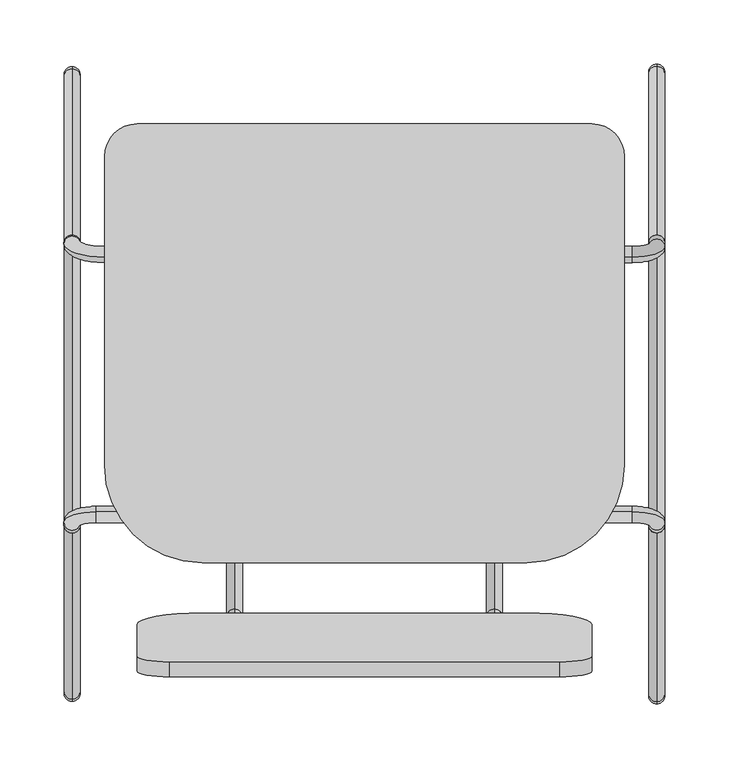
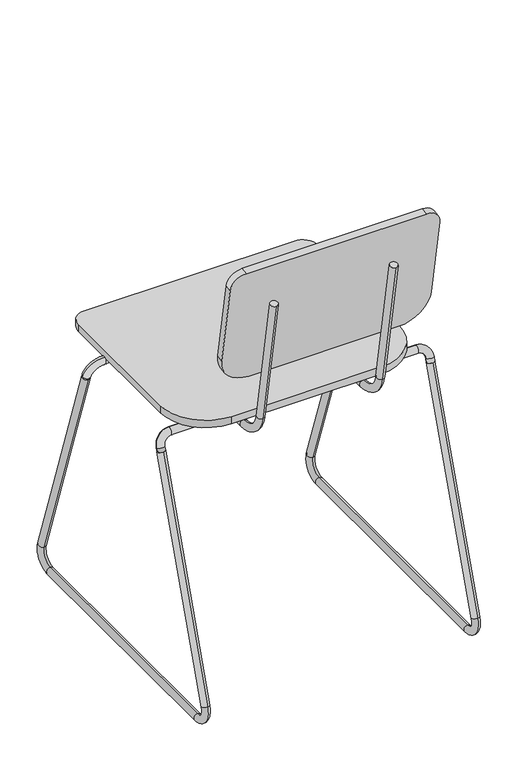
"""IFC4 building model written with IfcOpenShell, lengths in millimetres: furniture geometry."""

from ifc_helpers import new_model, si_unit, point, frame, frame_2d, origin, place, context, project, spatial, polyline, circle_curve, ellipse_curve, trimmed, segment, composite_curve, outline, extrude, source, transform, mapped, element, save
from ifc_brep_helpers import plane_surface, cylinder_surface, revolved_surface, advanced_brep


def furniture_1dff25d2(model_context):
    return source(origin(), model_context, "Body", "SolidModel", [
        advanced_brep(
        [(-280.6491803, 213.2656675, 431.8), (-280.6491803, 213.2656675, 444.5), (-280.6491803, -23.0277124, 431.8), (-280.6491803, -23.0277124, 444.5), (-280.6491803, -66.802417, 481.2313385), (-280.6491803, -79.3094755, 479.0260066), (-280.6491803, -119.2282049, 705.4163709), (-280.6491803, -106.7211464, 707.6217027)],
        [
            (0, 1, circle_curve(frame((-280.6491803, 213.2656675, 438.15), z_axis=(0.0, 1.0, 0.0), x_axis=(0.0, 0.0, 1.0)), 6.35)),
            (1, 0, circle_curve(frame((-280.6491803, 213.2656675, 438.15), z_axis=(0.0, 1.0, 0.0), x_axis=(0.0, 0.0, 1.0)), 6.35)),
            (0, 2),
            (2, 3, circle_curve(frame((-280.6491803, -23.0277124, 438.15), z_axis=(0.0, 1.0, 0.0), x_axis=(0.0, 0.0, 1.0)), 6.35)),
            (3, 1),
            (3, 2, circle_curve(frame((-280.6491803, -23.0277124, 438.15), z_axis=(0.0, 1.0, 0.0), x_axis=(0.0, 0.0, 1.0)), 6.35)),
            (4, 3, circle_curve(frame((-280.6491803, -23.0277124, 488.95), z_axis=(1.0, 0.0, 0.0), x_axis=(0.0, 0.0, -1.0)), 44.45)),
            (2, 5, circle_curve(frame((-280.6491803, -23.0277124, 488.95), z_axis=(-1.0, 0.0, 0.0), x_axis=(0.0, 0.0, -1.0)), 57.15)),
            (5, 4, circle_curve(frame((-280.6491803, -73.0559463, 480.1286726), z_axis=(0.0, 0.17364817766693444, -0.9848077530122074), x_axis=(0.0, 0.9848077530122074, 0.17364817766693444)), 6.35)),
            (4, 5, circle_curve(frame((-280.6491803, -73.0559463, 480.1286726), z_axis=(0.0, 0.17364817766693444, -0.9848077530122074), x_axis=(0.0, 0.9848077530122074, 0.17364817766693444)), 6.35)),
            (6, 7, circle_curve(frame((-280.6491803, -112.9746757, 706.5190368), z_axis=(0.0, -0.1736481776669348, 0.9848077530122074), x_axis=(0.0, 0.9848077530122074, 0.1736481776669348)), 6.35)),
            (7, 6, circle_curve(frame((-280.6491803, -112.9746757, 706.5190368), z_axis=(0.0, -0.1736481776669348, 0.9848077530122074), x_axis=(0.0, 0.9848077530122074, 0.1736481776669348)), 6.35)),
            (5, 6),
            (7, 4),
        ],
        [
            plane_surface(frame((-286.9991803, 213.2656675, 438.15), z_axis=(0.0, 1.0, 0.0), x_axis=(0.0, 0.0, -1.0))),
            cylinder_surface(frame((-280.6491803, 213.2656675, 438.15), z_axis=(0.0, 1.0, 0.0), x_axis=(0.0, 0.0, 1.0)), 6.35),
            revolved_surface(trimmed(ellipse_curve(frame((-280.6491803, -23.0277124, 438.15), z_axis=(0.0, 1.0, 0.0), x_axis=(0.0, 0.0, 1.0)), 6.35, 6.35), [point((-280.6491803, -23.0277124, 431.8))], [point((-280.6491803, -23.0277124, 444.5))], True, "CARTESIAN"), (-280.6491803, -23.0277124, 488.95), (-1.0, 0.0, 0.0)),
            revolved_surface(trimmed(ellipse_curve(frame((-280.6491803, -23.0277124, 438.15), z_axis=(0.0, 1.0, 0.0), x_axis=(0.0, 0.0, 1.0)), 6.35, 6.35), [point((-280.6491803, -23.0277124, 444.5))], [point((-280.6491803, -23.0277124, 431.8))], True, "CARTESIAN"), (-280.6491803, -23.0277124, 488.95), (-1.0, 0.0, 0.0)),
            plane_surface(frame((-280.6491803, -119.2282049, 705.4163709), z_axis=(0.0, -0.17364817766692842, 0.9848077530122085), x_axis=(1.0, 0.0, 0.0))),
            cylinder_surface(frame((-280.6491803, -73.0559463, 480.1286726), z_axis=(0.0, 0.1736481776669348, -0.9848077530122074), x_axis=(0.0, 0.9848077530122074, 0.1736481776669348)), 6.35),
        ],
        [
            (0, [[1, 2]]),
            (1, [[-1, 3, 4, 5]]),
            (1, [[-2, -5, 6, -3]]),
            (2, [[7, -4, 8, 9]]),
            (3, [[-8, -6, -7, 10]]),
            (4, [[11, 12]]),
            (5, [[-9, 13, -12, 14]]),
            (5, [[-10, -14, -11, -13]]),
        ],
    ),
        advanced_brep(
        [(-77.4491803, 213.2656675, 431.8), (-77.4491803, 213.2656675, 444.5), (-77.4491803, -23.0277124, 431.8), (-77.4491803, -23.0277124, 444.5), (-77.4491803, -66.802417, 481.2313385), (-77.4491803, -79.3094755, 479.0260066), (-77.4491803, -118.9339087, 703.7473341), (-77.4491803, -106.4268502, 705.9526659)],
        [
            (0, 1, circle_curve(frame((-77.4491803, 213.2656675, 438.15), z_axis=(0.0, 1.0, 0.0), x_axis=(0.0, 0.0, 1.0)), 6.35)),
            (1, 0, circle_curve(frame((-77.4491803, 213.2656675, 438.15), z_axis=(0.0, 1.0, 0.0), x_axis=(0.0, 0.0, 1.0)), 6.35)),
            (0, 2),
            (2, 3, circle_curve(frame((-77.4491803, -23.0277124, 438.15), z_axis=(0.0, 1.0, 0.0), x_axis=(0.0, 0.0, 1.0)), 6.35)),
            (3, 1),
            (3, 2, circle_curve(frame((-77.4491803, -23.0277124, 438.15), z_axis=(0.0, 1.0, 0.0), x_axis=(0.0, 0.0, 1.0)), 6.35)),
            (4, 3, circle_curve(frame((-77.4491803, -23.0277124, 488.95), z_axis=(1.0, 0.0, 0.0), x_axis=(0.0, 0.0, -1.0)), 44.45)),
            (2, 5, circle_curve(frame((-77.4491803, -23.0277124, 488.95), z_axis=(-1.0, 0.0, 0.0), x_axis=(0.0, 0.0, -1.0)), 57.15)),
            (5, 4, circle_curve(frame((-77.4491803, -73.0559463, 480.1286726), z_axis=(0.0, 0.1736481776669385, -0.9848077530122066), x_axis=(0.0, 0.9848077530122066, 0.1736481776669385)), 6.35)),
            (4, 5, circle_curve(frame((-77.4491803, -73.0559463, 480.1286726), z_axis=(0.0, 0.1736481776669372, -0.9848077530122068), x_axis=(0.0, 0.9848077530122068, 0.1736481776669372)), 6.35)),
            (6, 7, circle_curve(frame((-77.4491803, -112.6803794, 704.85), z_axis=(0.0, -0.17364817766693896, 0.9848077530122066), x_axis=(0.0, 0.9848077530122066, 0.17364817766693896)), 6.35)),
            (7, 6, circle_curve(frame((-77.4491803, -112.6803794, 704.85), z_axis=(0.0, -0.17364817766693896, 0.9848077530122066), x_axis=(0.0, 0.9848077530122066, 0.17364817766693896)), 6.35)),
            (5, 6),
            (7, 4),
        ],
        [
            plane_surface(frame((-83.7991803, 213.2656675, 438.15), z_axis=(0.0, 1.0, 0.0), x_axis=(0.0, 0.0, -1.0))),
            cylinder_surface(frame((-77.4491803, 213.2656675, 438.15), z_axis=(0.0, 1.0, 0.0), x_axis=(0.0, 0.0, 1.0)), 6.35),
            revolved_surface(trimmed(ellipse_curve(frame((-77.4491803, -23.0277124, 438.15), z_axis=(0.0, 1.0, 0.0), x_axis=(0.0, 0.0, 1.0)), 6.35, 6.35), [point((-77.4491803, -23.0277124, 431.8))], [point((-77.4491803, -23.0277124, 444.5))], True, "CARTESIAN"), (-77.4491803, -23.0277124, 488.95), (-1.0, 0.0, 0.0)),
            revolved_surface(trimmed(ellipse_curve(frame((-77.4491803, -23.0277124, 438.15), z_axis=(0.0, 1.0, 0.0), x_axis=(0.0, 0.0, 1.0)), 6.35, 6.35), [point((-77.4491803, -23.0277124, 444.5))], [point((-77.4491803, -23.0277124, 431.8))], True, "CARTESIAN"), (-77.4491803, -23.0277124, 488.95), (-1.0, 0.0, 0.0)),
            plane_surface(frame((-77.4491803, -118.9339087, 703.7473341), z_axis=(0.0, -0.17364817766692892, 0.9848077530122084), x_axis=(1.0, 0.0, 0.0))),
            cylinder_surface(frame((-77.4491803, -73.0559463, 480.1286726), z_axis=(0.0, 0.17364817766693896, -0.9848077530122066), x_axis=(0.0, 0.9848077530122066, 0.17364817766693896)), 6.35),
        ],
        [
            (0, [[1, 2]]),
            (1, [[-1, 3, 4, 5]]),
            (1, [[-2, -5, 6, -3]]),
            (2, [[7, -4, 8, 9]]),
            (3, [[-8, -6, -7, 10]]),
            (4, [[11, 12]]),
            (5, [[-9, 13, -12, 14]]),
            (5, [[-10, -14, -11, -13]]),
        ],
    ),
        extrude(outline(composite_curve([segment(trimmed(circle_curve(frame_2d((-1.2491803, 286.7314636)), 25.4), [point((-1.2491803, 312.1314636))], [point((24.1508197, 286.7314636))], False, "CARTESIAN"), True, "CONTINUOUS"), segment(polyline([(24.1508197, 286.7314636), (24.1508197, 45.4314636)]), True, "CONTINUOUS"), segment(trimmed(circle_curve(frame_2d((-52.0491803, 45.4314636)), 76.2), [point((24.1508197, 45.4314636))], [point((-52.0491803, -30.7685364))], False, "CARTESIAN"), True, "CONTINUOUS"), segment(polyline([(-52.0491803, -30.7685364), (-306.0491803, -30.7685364)]), True, "CONTINUOUS"), segment(trimmed(circle_curve(frame_2d((-306.0491803, 45.4314636)), 76.2), [point((-306.0491803, -30.7685364))], [point((-382.2491803, 45.4314636))], False, "CARTESIAN"), True, "CONTINUOUS"), segment(polyline([(-382.2491803, 45.4314636), (-382.2491803, 286.7314636)]), True, "CONTINUOUS"), segment(trimmed(circle_curve(frame_2d((-356.8491803, 286.7314636)), 25.4), [point((-382.2491803, 286.7314636))], [point((-356.8491803, 312.1314636))], False, "CARTESIAN"), True, "CONTINUOUS"), segment(polyline([(-356.8491803, 312.1314636), (-1.2491803, 312.1314636)]), True, "CONTINUOUS")], self_intersect=False)), frame((0.0, 0.0, 450.5), z_axis=(0.0, 0.0, 1.0), x_axis=(1.0, 0.0, 0.0)), (0.0, 0.0, 1.0), 12.7),
        extrude(outline(composite_curve([segment(polyline([(-304.8, 0.0), (0.0, 0.0)]), True, "CONTINUOUS"), segment(trimmed(circle_curve(frame_2d((0.0, -25.4)), 25.4), [point((0.0, 0.0))], [point((25.4, -25.4))], False, "CARTESIAN"), True, "CONTINUOUS"), segment(polyline([(25.4, -25.4), (25.4, -168.3013626)]), True, "CONTINUOUS"), segment(trimmed(circle_curve(frame_2d((-25.4, -168.3013626)), 50.8), [point((25.4, -168.3013626))], [point((-25.4, -219.1013626))], False, "CARTESIAN"), True, "CONTINUOUS"), segment(polyline([(-25.4, -219.1013626), (-279.4, -219.1013626)]), True, "CONTINUOUS"), segment(trimmed(circle_curve(frame_2d((-279.4, -168.3013626)), 50.8), [point((-279.4, -219.1013626))], [point((-330.2, -168.3013626))], False, "CARTESIAN"), True, "CONTINUOUS"), segment(polyline([(-330.2, -168.3013626), (-330.2, -25.4)]), True, "CONTINUOUS"), segment(trimmed(circle_curve(frame_2d((-304.8, -25.4)), 25.4), [point((-330.2, -25.4))], [point((-304.8, 0.0))], False, "CARTESIAN"), True, "CONTINUOUS")], self_intersect=False)), frame((-331.4491803, -119.9531376, 782.6640535), z_axis=(0.0, 0.9848077530122084, 0.17364817766692858), x_axis=(-1.0, 0.0, 0.0)), (0.0, 0.0, 1.0), 12.0),
        advanced_brep(
        [(55.9008197, 219.2327758, 419.1211728), (43.2008197, 219.2327758, 419.1211728), (55.9008197, 216.3017292, 427.6700586), (43.2008197, 216.3017292, 427.6700586), (30.5008197, 212.1828103, 439.6835721), (30.5008197, 208.0638914, 451.6970857), (-382.2491803, 208.0638914, 451.6970857), (-382.2491803, 212.1828103, 439.6835721), (-401.2991803, 218.3611887, 421.6633019), (-413.9991803, 218.3611887, 421.6633019), (-413.9991803, 219.2424531, 419.0929473), (-401.2991803, 219.2424531, 419.0929473)],
        [
            (0, 1, circle_curve(frame((49.5508197, 219.2327758, 419.1211728), z_axis=(0.0, 0.32432432432432856, -0.9459459459459446), x_axis=(-1.0, 0.0, 0.0)), 6.35)),
            (1, 0, circle_curve(frame((49.5508197, 219.2327758, 419.1211728), z_axis=(0.0, 0.32432432432432856, -0.9459459459459446), x_axis=(-1.0, 0.0, 0.0)), 6.35)),
            (0, 2),
            (2, 3, circle_curve(frame((49.5508197, 216.3017292, 427.6700586), z_axis=(0.0, 0.32432432432432856, -0.9459459459459446), x_axis=(-1.0, 0.0, 0.0)), 6.35)),
            (3, 1),
            (3, 2, circle_curve(frame((49.5508197, 216.3017292, 427.6700586), z_axis=(0.0, 0.32432432432432856, -0.9459459459459446), x_axis=(-1.0, 0.0, 0.0)), 6.35)),
            (4, 3, circle_curve(frame((30.5008197, 216.3017292, 427.6700586), z_axis=(0.0, 0.9459459459459447, 0.3243243243243281), x_axis=(1.0, 0.0, 0.0)), 12.7)),
            (2, 5, circle_curve(frame((30.5008197, 216.3017292, 427.6700586), z_axis=(0.0, -0.9459459459459447, -0.3243243243243281), x_axis=(1.0, 0.0, 0.0)), 25.4)),
            (5, 4, circle_curve(frame((30.5008197, 210.1233509, 445.6903289), z_axis=(1.0, 0.0, 0.0), x_axis=(0.0, 0.3243243243243274, -0.9459459459459449)), 6.35)),
            (4, 5, circle_curve(frame((30.5008197, 210.1233509, 445.6903289), z_axis=(1.0, 0.0, 0.0), x_axis=(0.0, 0.3243243243243274, -0.9459459459459449)), 6.35)),
            (5, 6),
            (6, 7, circle_curve(frame((-382.2491803, 210.1233509, 445.6903289), z_axis=(1.0, 0.0, 0.0), x_axis=(0.0, 0.3243243243243274, -0.9459459459459449)), 6.35)),
            (7, 4),
            (7, 6, circle_curve(frame((-382.2491803, 210.1233509, 445.6903289), z_axis=(1.0, 0.0, 0.0), x_axis=(0.0, 0.3243243243243274, -0.9459459459459449)), 6.35)),
            (8, 7, circle_curve(frame((-382.2491803, 218.3611887, 421.6633019), z_axis=(0.0, 0.9459459459459447, 0.3243243243243281), x_axis=(0.0, -0.3243243243243281, 0.9459459459459447)), 19.05)),
            (6, 9, circle_curve(frame((-382.2491803, 218.3611887, 421.6633019), z_axis=(0.0, -0.9459459459459447, -0.3243243243243281), x_axis=(0.0, -0.3243243243243281, 0.9459459459459447)), 31.75)),
            (9, 8, circle_curve(frame((-407.6491803, 218.3611887, 421.6633019), z_axis=(0.0, -0.3243243243243282, 0.9459459459459447), x_axis=(1.0000000000000002, 0.0, 0.0)), 6.35)),
            (8, 9, circle_curve(frame((-407.6491803, 218.3611887, 421.6633019), z_axis=(0.0, -0.3243243243243282, 0.9459459459459447), x_axis=(1.0000000000000002, 0.0, 0.0)), 6.35)),
            (10, 11, circle_curve(frame((-407.6491803, 219.2424531, 419.0929473), z_axis=(0.0, 0.3243243243243279, -0.9459459459459447), x_axis=(1.0, 0.0, 0.0)), 6.35)),
            (11, 10, circle_curve(frame((-407.6491803, 219.2424531, 419.0929473), z_axis=(0.0, 0.3243243243243279, -0.9459459459459447), x_axis=(1.0, 0.0, 0.0)), 6.35)),
            (9, 10),
            (11, 8),
        ],
        [
            plane_surface(frame((49.5508197, 213.226019, 417.0617133), z_axis=(0.0, 0.3243243243243291, -0.9459459459459444), x_axis=(1.0, 0.0, 0.0))),
            cylinder_surface(frame((49.5508197, 219.2327758, 419.1211728), z_axis=(0.0, 0.32432432432432856, -0.9459459459459446), x_axis=(-1.0, 0.0, 0.0)), 6.35),
            revolved_surface(trimmed(ellipse_curve(frame((49.5508197, 216.3017292, 427.6700586), z_axis=(0.0, 0.32432432432432806, -0.9459459459459447), x_axis=(-1.0, 0.0, 0.0)), 6.35, 6.35), [point((55.9008197, 216.3017292, 427.6700586))], [point((43.2008197, 216.3017292, 427.6700586))], True, "CARTESIAN"), (30.5008197, 216.3017292, 427.6700586), (0.0, -0.9459459459459447, -0.3243243243243281)),
            revolved_surface(trimmed(ellipse_curve(frame((49.5508197, 216.3017292, 427.6700586), z_axis=(0.0, 0.32432432432432806, -0.9459459459459447), x_axis=(-1.0, 0.0, 0.0)), 6.35, 6.35), [point((43.2008197, 216.3017292, 427.6700586))], [point((55.9008197, 216.3017292, 427.6700586))], True, "CARTESIAN"), (30.5008197, 216.3017292, 427.6700586), (0.0, -0.9459459459459447, -0.3243243243243281)),
            cylinder_surface(frame((30.5008197, 210.1233509, 445.6903289), z_axis=(1.0, 0.0, 0.0), x_axis=(0.0, 0.3243243243243274, -0.9459459459459449)), 6.35),
            revolved_surface(trimmed(ellipse_curve(frame((-382.2491803, 210.1233509, 445.6903289), z_axis=(1.0000000000000002, 0.0, 0.0), x_axis=(0.0, 0.32432432432432756, -0.9459459459459449)), 6.35, 6.35), [point((-382.2491803, 208.0638914, 451.6970857))], [point((-382.2491803, 212.1828103, 439.6835721))], True, "CARTESIAN"), (-382.2491803, 218.3611887, 421.6633019), (0.0, -0.9459459459459447, -0.3243243243243281)),
            revolved_surface(trimmed(ellipse_curve(frame((-382.2491803, 210.1233509, 445.6903289), z_axis=(1.0000000000000002, 0.0, 0.0), x_axis=(0.0, 0.32432432432432756, -0.9459459459459449)), 6.35, 6.35), [point((-382.2491803, 212.1828103, 439.6835721))], [point((-382.2491803, 208.0638914, 451.6970857))], True, "CARTESIAN"), (-382.2491803, 218.3611887, 421.6633019), (0.0, -0.9459459459459447, -0.3243243243243281)),
            plane_surface(frame((-407.6491803, 225.2492099, 421.1524068), z_axis=(0.0, 0.3243243243243283, -0.9459459459459447), x_axis=(1.0, 0.0, 0.0))),
            cylinder_surface(frame((-407.6491803, 218.3611887, 421.6633019), z_axis=(0.0, -0.3243243243243279, 0.9459459459459447), x_axis=(1.0, 0.0, 0.0)), 6.35),
        ],
        [
            (0, [[1, 2]]),
            (1, [[-1, 3, 4, 5]]),
            (1, [[-2, -5, 6, -3]]),
            (2, [[7, -4, 8, 9]]),
            (3, [[-8, -6, -7, 10]]),
            (4, [[-9, 11, 12, 13]]),
            (4, [[-10, -13, 14, -11]]),
            (5, [[15, -12, 16, 17]]),
            (6, [[-16, -14, -15, 18]]),
            (7, [[19, 20]]),
            (8, [[-17, 21, -20, 22]]),
            (8, [[-18, -22, -19, -21]]),
        ],
    ),
        advanced_brep(
        [(55.9008197, -1.3812406, 419.0879461), (43.2008197, -1.3812406, 419.0879461), (55.9008197, 0.7944914, 425.4338312), (43.2008197, 0.7944914, 425.4338312), (30.5008197, 4.9134104, 437.4473447), (30.5008197, 9.0323293, 449.4608582), (-388.5991803, 9.0323293, 449.4608582), (-388.5991803, 4.9134104, 437.4473447), (-401.2991803, 0.7944914, 425.4338312), (-413.9991803, 0.7944914, 425.4338312), (-413.9991803, -1.3997864, 419.0338542), (-401.2991803, -1.3997864, 419.0338542)],
        [
            (0, 1, circle_curve(frame((49.5508197, -1.3812406, 419.0879461), z_axis=(0.0, -0.32432432432432495, -0.9459459459459457), x_axis=(-1.0, 0.0, 0.0)), 6.35)),
            (1, 0, circle_curve(frame((49.5508197, -1.3812406, 419.0879461), z_axis=(0.0, -0.32432432432432495, -0.9459459459459457), x_axis=(-1.0, 0.0, 0.0)), 6.35)),
            (0, 2),
            (2, 3, circle_curve(frame((49.5508197, 0.7944914, 425.4338312), z_axis=(0.0, -0.32432432432432495, -0.9459459459459457), x_axis=(-1.0, 0.0, 0.0)), 6.35)),
            (3, 1),
            (3, 2, circle_curve(frame((49.5508197, 0.7944914, 425.4338312), z_axis=(0.0, -0.32432432432432495, -0.9459459459459457), x_axis=(-1.0, 0.0, 0.0)), 6.35)),
            (4, 3, circle_curve(frame((30.5008197, 0.7944914, 425.4338312), z_axis=(0.0, 0.9459459459459458, -0.3243243243243246), x_axis=(1.0, 0.0, 0.0)), 12.7)),
            (2, 5, circle_curve(frame((30.5008197, 0.7944914, 425.4338312), z_axis=(0.0, -0.9459459459459458, 0.3243243243243246), x_axis=(1.0, 0.0, 0.0)), 25.4)),
            (5, 4, circle_curve(frame((30.5008197, 6.9728698, 443.4541014), z_axis=(1.0, 0.0, 0.0), x_axis=(0.0, -0.3243243243243236, -0.9459459459459462)), 6.35)),
            (4, 5, circle_curve(frame((30.5008197, 6.9728698, 443.4541014), z_axis=(1.0, 0.0, 0.0), x_axis=(0.0, -0.3243243243243236, -0.9459459459459462)), 6.35)),
            (5, 6),
            (6, 7, circle_curve(frame((-388.5991803, 6.9728698, 443.4541014), z_axis=(1.0, 0.0, 0.0), x_axis=(0.0, -0.3243243243243236, -0.9459459459459462)), 6.35)),
            (7, 4),
            (7, 6, circle_curve(frame((-388.5991803, 6.9728698, 443.4541014), z_axis=(1.0, 0.0, 0.0), x_axis=(0.0, -0.3243243243243236, -0.9459459459459462)), 6.35)),
            (8, 7, circle_curve(frame((-388.5991803, 0.7944914, 425.4338312), z_axis=(0.0, 0.9459459459459458, -0.3243243243243246), x_axis=(0.0, 0.3243243243243246, 0.9459459459459458)), 12.7)),
            (6, 9, circle_curve(frame((-388.5991803, 0.7944914, 425.4338312), z_axis=(0.0, -0.9459459459459458, 0.3243243243243246), x_axis=(0.0, 0.3243243243243246, 0.9459459459459458)), 25.4)),
            (9, 8, circle_curve(frame((-407.6491803, 0.7944914, 425.4338312), z_axis=(0.0, 0.3243243243243247, 0.9459459459459458), x_axis=(1.0, 0.0, 0.0)), 6.35)),
            (8, 9, circle_curve(frame((-407.6491803, 0.7944914, 425.4338312), z_axis=(0.0, 0.3243243243243247, 0.9459459459459458), x_axis=(1.0, 0.0, 0.0)), 6.35)),
            (10, 11, circle_curve(frame((-407.6491803, -1.3997864, 419.0338542), z_axis=(0.0, -0.3243243243243242, -0.945945945945946), x_axis=(1.0, 0.0, 0.0)), 6.35)),
            (11, 10, circle_curve(frame((-407.6491803, -1.3997864, 419.0338542), z_axis=(0.0, -0.3243243243243242, -0.945945945945946), x_axis=(1.0, 0.0, 0.0)), 6.35)),
            (9, 10),
            (11, 8),
        ],
        [
            plane_surface(frame((49.5508197, -7.3879973, 421.1474055), z_axis=(0.0, -0.3243243243243233, -0.9459459459459464), x_axis=(1.0, 0.0, 0.0))),
            cylinder_surface(frame((49.5508197, -1.3812406, 419.0879461), z_axis=(0.0, -0.32432432432432495, -0.9459459459459457), x_axis=(-1.0, 0.0, 0.0)), 6.35),
            revolved_surface(trimmed(ellipse_curve(frame((49.5508197, 0.7944914, 425.4338312), z_axis=(0.0, -0.32432432432432456, -0.9459459459459458), x_axis=(-1.0, 0.0, 0.0)), 6.35, 6.35), [point((55.9008197, 0.7944914, 425.4338312))], [point((43.2008197, 0.7944914, 425.4338312))], True, "CARTESIAN"), (30.5008197, 0.7944914, 425.4338312), (0.0, -0.9459459459459458, 0.3243243243243246)),
            revolved_surface(trimmed(ellipse_curve(frame((49.5508197, 0.7944914, 425.4338312), z_axis=(0.0, -0.32432432432432456, -0.9459459459459458), x_axis=(-1.0, 0.0, 0.0)), 6.35, 6.35), [point((43.2008197, 0.7944914, 425.4338312))], [point((55.9008197, 0.7944914, 425.4338312))], True, "CARTESIAN"), (30.5008197, 0.7944914, 425.4338312), (0.0, -0.9459459459459458, 0.3243243243243246)),
            cylinder_surface(frame((30.5008197, 6.9728698, 443.4541014), z_axis=(1.0, 0.0, 0.0), x_axis=(0.0, -0.3243243243243236, -0.9459459459459462)), 6.35),
            revolved_surface(trimmed(ellipse_curve(frame((-388.5991803, 6.9728698, 443.4541014), z_axis=(1.0, 0.0, 0.0), x_axis=(0.0, -0.3243243243243236, -0.9459459459459462)), 6.35, 6.35), [point((-388.5991803, 9.0323293, 449.4608582))], [point((-388.5991803, 4.9134104, 437.4473447))], True, "CARTESIAN"), (-388.5991803, 0.7944914, 425.4338312), (0.0, -0.9459459459459458, 0.3243243243243246)),
            revolved_surface(trimmed(ellipse_curve(frame((-388.5991803, 6.9728698, 443.4541014), z_axis=(1.0, 0.0, 0.0), x_axis=(0.0, -0.3243243243243236, -0.9459459459459462)), 6.35, 6.35), [point((-388.5991803, 4.9134104, 437.4473447))], [point((-388.5991803, 9.0323293, 449.4608582))], True, "CARTESIAN"), (-388.5991803, 0.7944914, 425.4338312), (0.0, -0.9459459459459458, 0.3243243243243246)),
            plane_surface(frame((-407.6491803, 4.6069704, 416.9743947), z_axis=(0.0, -0.3243243243243232, -0.9459459459459464), x_axis=(1.0, 0.0, 0.0))),
            cylinder_surface(frame((-407.6491803, 0.7944914, 425.4338312), z_axis=(0.0, 0.3243243243243242, 0.945945945945946), x_axis=(1.0, 0.0, 0.0)), 6.35),
        ],
        [
            (0, [[1, 2]]),
            (1, [[-1, 3, 4, 5]]),
            (1, [[-2, -5, 6, -3]]),
            (2, [[7, -4, 8, 9]]),
            (3, [[-8, -6, -7, 10]]),
            (4, [[-9, 11, 12, 13]]),
            (4, [[-10, -13, 14, -11]]),
            (5, [[15, -12, 16, 17]]),
            (6, [[-16, -14, -15, 18]]),
            (7, [[19, 20]]),
            (8, [[-17, 21, -20, 22]]),
            (8, [[-18, -22, -19, -21]]),
        ],
    ),
        advanced_brep(
        [(-407.6491803, 225.2492099, 421.1524068), (-407.6491803, 213.2356963, 417.0334879), (-407.6491803, 355.2281045, 42.0472973), (-407.6491803, 343.214591, 37.9283784), (-407.6491803, 325.1943208, 12.7), (-407.6491803, 325.1943208, 0.0), (-407.6491803, -107.3313935, 0.0), (-407.6491803, -107.3313935, 12.7), (-407.6491803, -125.3516638, 37.9283784), (-407.6491803, -137.3651773, 42.0472973), (-407.6491803, -7.4065431, 421.0933136), (-407.6491803, 4.6069704, 416.9743947)],
        [
            (0, 1, circle_curve(frame((-407.6491803, 219.2424531, 419.0929473), z_axis=(0.0, -0.3243243243243311, 0.9459459459459437), x_axis=(0.0, -0.9459459459459437, -0.3243243243243311)), 6.35)),
            (1, 0, circle_curve(frame((-407.6491803, 219.2424531, 419.0929473), z_axis=(0.0, -0.3243243243243311, 0.9459459459459437), x_axis=(0.0, -0.9459459459459437, -0.3243243243243311)), 6.35)),
            (0, 2),
            (2, 3, circle_curve(frame((-407.6491803, 349.2213478, 39.9878378), z_axis=(0.0, -0.3243243243243311, 0.9459459459459437), x_axis=(0.0, -0.9459459459459437, -0.3243243243243311)), 6.35)),
            (3, 1),
            (3, 2, circle_curve(frame((-407.6491803, 349.2213478, 39.9878378), z_axis=(0.0, -0.3243243243243311, 0.9459459459459437), x_axis=(0.0, -0.9459459459459437, -0.3243243243243311)), 6.35)),
            (4, 3, circle_curve(frame((-407.6491803, 325.1943208, 31.75), z_axis=(1.0, 0.0, 0.0), x_axis=(0.0, 0.9459459459459434, 0.3243243243243317)), 19.05)),
            (2, 5, circle_curve(frame((-407.6491803, 325.1943208, 31.75), z_axis=(-1.0, 0.0, 0.0), x_axis=(0.0, 0.9459459459459434, 0.3243243243243317)), 31.75)),
            (5, 4, circle_curve(frame((-407.6491803, 325.1943208, 6.35), z_axis=(0.0, 1.0, 0.0), x_axis=(0.0, 0.0, 1.0)), 6.35)),
            (4, 5, circle_curve(frame((-407.6491803, 325.1943208, 6.35), z_axis=(0.0, 0.9999999999999999, 0.0), x_axis=(0.0, 0.0, 0.9999999999999999)), 6.35)),
            (5, 6),
            (6, 7, circle_curve(frame((-407.6491803, -107.3313935, 6.35), z_axis=(0.0, 1.0, 0.0), x_axis=(0.0, 0.0, 1.0)), 6.35)),
            (7, 4),
            (7, 6, circle_curve(frame((-407.6491803, -107.3313935, 6.35), z_axis=(0.0, 1.0, 0.0), x_axis=(0.0, 0.0, 1.0)), 6.35)),
            (8, 7, circle_curve(frame((-407.6491803, -107.3313935, 31.75), z_axis=(1.0, 0.0, 0.0), x_axis=(0.0, 0.0, -1.0)), 19.05)),
            (6, 9, circle_curve(frame((-407.6491803, -107.3313935, 31.75), z_axis=(-1.0, 0.0, 0.0), x_axis=(0.0, 0.0, -1.0)), 31.75)),
            (9, 8, circle_curve(frame((-407.6491803, -131.3584206, 39.9878378), z_axis=(0.0, -0.3243243243243189, -0.9459459459459478), x_axis=(0.0, 0.9459459459459478, -0.3243243243243189)), 6.35)),
            (8, 9, circle_curve(frame((-407.6491803, -131.3584206, 39.9878378), z_axis=(0.0, -0.3243243243243206, -0.9459459459459473), x_axis=(0.0, 0.9459459459459473, -0.3243243243243206)), 6.35)),
            (10, 11, circle_curve(frame((-407.6491803, -1.3997864, 419.0338542), z_axis=(0.0, 0.3243243243243217, 0.9459459459459468), x_axis=(0.0, 0.9459459459459468, -0.3243243243243217)), 6.35)),
            (11, 10, circle_curve(frame((-407.6491803, -1.3997864, 419.0338542), z_axis=(0.0, 0.3243243243243217, 0.9459459459459468), x_axis=(0.0, 0.9459459459459468, -0.3243243243243217)), 6.35)),
            (9, 10),
            (11, 8),
        ],
        [
            plane_surface(frame((-407.6491803, 225.2492099, 421.1524068), z_axis=(0.0, -0.32432432432432773, 0.9459459459459448), x_axis=(1.0, 0.0, 0.0))),
            cylinder_surface(frame((-407.6491803, 219.2424531, 419.0929473), z_axis=(0.0, -0.3243243243243311, 0.9459459459459437), x_axis=(0.0, -0.9459459459459437, -0.3243243243243311)), 6.35),
            revolved_surface(trimmed(ellipse_curve(frame((-407.6491803, 349.2213478, 39.9878378), z_axis=(0.0, -0.3243243243243347, 0.9459459459459424), x_axis=(0.0, -0.9459459459459424, -0.3243243243243347)), 6.35, 6.35), [point((-407.6491803, 355.2281045, 42.0472973))], [point((-407.6491803, 343.214591, 37.9283784))], True, "CARTESIAN"), (-407.6491803, 325.1943208, 31.75), (-1.0, 0.0, 0.0)),
            revolved_surface(trimmed(ellipse_curve(frame((-407.6491803, 349.2213478, 39.9878378), z_axis=(0.0, -0.3243243243243347, 0.9459459459459424), x_axis=(0.0, -0.9459459459459424, -0.3243243243243347)), 6.35, 6.35), [point((-407.6491803, 343.214591, 37.9283784))], [point((-407.6491803, 355.2281045, 42.0472973))], True, "CARTESIAN"), (-407.6491803, 325.1943208, 31.75), (-1.0, 0.0, 0.0)),
            cylinder_surface(frame((-407.6491803, 325.1943208, 6.35), z_axis=(0.0, 1.0, 0.0), x_axis=(0.0, 0.0, 1.0)), 6.35),
            revolved_surface(trimmed(ellipse_curve(frame((-407.6491803, -107.3313935, 6.35), z_axis=(0.0, 1.0, 0.0), x_axis=(0.0, 0.0, 1.0)), 6.35, 6.35), [point((-407.6491803, -107.3313935, 0.0))], [point((-407.6491803, -107.3313935, 12.7))], True, "CARTESIAN"), (-407.6491803, -107.3313935, 31.75), (-1.0, 0.0, 0.0)),
            revolved_surface(trimmed(ellipse_curve(frame((-407.6491803, -107.3313935, 6.35), z_axis=(0.0, 1.0, 0.0), x_axis=(0.0, 0.0, 1.0)), 6.35, 6.35), [point((-407.6491803, -107.3313935, 12.7))], [point((-407.6491803, -107.3313935, 0.0))], True, "CARTESIAN"), (-407.6491803, -107.3313935, 31.75), (-1.0, 0.0, 0.0)),
            plane_surface(frame((-407.6491803, -7.4065431, 421.0933136), z_axis=(0.0, 0.324324324324323, 0.9459459459459465), x_axis=(1.0, 0.0, 0.0))),
            cylinder_surface(frame((-407.6491803, -131.3584206, 39.9878378), z_axis=(0.0, -0.3243243243243217, -0.9459459459459468), x_axis=(0.0, 0.9459459459459468, -0.3243243243243217)), 6.35),
        ],
        [
            (0, [[1, 2]]),
            (1, [[-1, 3, 4, 5]]),
            (1, [[-2, -5, 6, -3]]),
            (2, [[7, -4, 8, 9]]),
            (3, [[-8, -6, -7, 10]]),
            (4, [[-9, 11, 12, 13]]),
            (4, [[-10, -13, 14, -11]]),
            (5, [[15, -12, 16, 17]]),
            (6, [[-16, -14, -15, 18]]),
            (7, [[19, 20]]),
            (8, [[-17, 21, -20, 22]]),
            (8, [[-18, -22, -19, -21]]),
        ],
    ),
        advanced_brep(
        [(49.5508197, 225.2597598, 421.1875673), (49.5508197, 213.2656675, 417.0124327), (49.5508197, 357.1892841, 42.1878365), (49.5508197, 345.1951918, 38.0127019), (49.5508197, 327.2040533, 12.7), (49.5508197, 327.2040533, 0.0), (49.5508197, -109.3411268, 0.0), (49.5508197, -109.3411268, 12.7), (49.5508197, -127.3337908, 38.0083179), (49.5508197, -139.3289001, 42.1805298), (49.5508197, -7.5008737, 421.186106), (49.5508197, 4.4942357, 417.013894)],
        [
            (0, 1, circle_curve(frame((49.5508197, 219.2627136, 419.1), z_axis=(0.0, -0.3287507573582007, 0.9444167192168982), x_axis=(0.0, -0.9444167192168982, -0.3287507573582007)), 6.35)),
            (1, 0, circle_curve(frame((49.5508197, 219.2627136, 419.1), z_axis=(0.0, -0.3287507573582007, 0.9444167192168982), x_axis=(0.0, -0.9444167192168982, -0.3287507573582007)), 6.35)),
            (0, 2),
            (2, 3, circle_curve(frame((49.5508197, 351.1922379, 40.1002692), z_axis=(0.0, -0.3287507573582007, 0.9444167192168982), x_axis=(0.0, -0.9444167192168982, -0.3287507573582007)), 6.35)),
            (3, 1),
            (3, 2, circle_curve(frame((49.5508197, 351.1922379, 40.1002692), z_axis=(0.0, -0.3287507573582007, 0.9444167192168982), x_axis=(0.0, -0.9444167192168982, -0.3287507573582007)), 6.35)),
            (4, 3, circle_curve(frame((49.5508197, 327.2040533, 31.75), z_axis=(1.0, 0.0, 0.0), x_axis=(0.0, 0.944416719216897, 0.3287507573582041)), 19.05)),
            (2, 5, circle_curve(frame((49.5508197, 327.2040533, 31.75), z_axis=(-1.0, 0.0, 0.0), x_axis=(0.0, 0.944416719216897, 0.3287507573582041)), 31.75)),
            (5, 4, circle_curve(frame((49.5508197, 327.2040533, 6.35), z_axis=(0.0, 1.0, 0.0), x_axis=(0.0, 0.0, 1.0)), 6.35)),
            (4, 5, circle_curve(frame((49.5508197, 327.2040533, 6.35), z_axis=(0.0, 0.9999999999999999, 0.0), x_axis=(0.0, 0.0, 0.9999999999999999)), 6.35)),
            (5, 6),
            (6, 7, circle_curve(frame((49.5508197, -109.3411268, 6.35), z_axis=(0.0, 1.0, 0.0), x_axis=(0.0, 0.0, 1.0)), 6.35)),
            (7, 4),
            (7, 6, circle_curve(frame((49.5508197, -109.3411268, 6.35), z_axis=(0.0, 1.0, 0.0), x_axis=(0.0, 0.0, 1.0)), 6.35)),
            (8, 7, circle_curve(frame((49.5508197, -109.3411268, 31.75), z_axis=(1.0, 0.0, 0.0), x_axis=(0.0, 0.0, -1.0)), 19.05)),
            (6, 9, circle_curve(frame((49.5508197, -109.3411268, 31.75), z_axis=(-1.0, 0.0, 0.0), x_axis=(0.0, 0.0, -1.0)), 31.75)),
            (9, 8, circle_curve(frame((49.5508197, -133.3313455, 40.0944239), z_axis=(0.0, -0.3285206249412718, -0.9444967967061594), x_axis=(0.0, 0.9444967967061594, -0.3285206249412718)), 6.35)),
            (8, 9, circle_curve(frame((49.5508197, -133.3313455, 40.0944239), z_axis=(0.0, -0.3285206249412754, -0.9444967967061582), x_axis=(0.0, 0.9444967967061582, -0.3285206249412754)), 6.35)),
            (10, 11, circle_curve(frame((49.5508197, -1.503319, 419.1), z_axis=(0.0, 0.3285206249412728, 0.9444967967061592), x_axis=(0.0, 0.9444967967061592, -0.3285206249412728)), 6.35)),
            (11, 10, circle_curve(frame((49.5508197, -1.503319, 419.1), z_axis=(0.0, 0.3285206249412728, 0.9444967967061592), x_axis=(0.0, 0.9444967967061592, -0.3285206249412728)), 6.35)),
            (9, 10),
            (11, 8),
        ],
        [
            plane_surface(frame((49.5508197, 225.2597598, 421.1875673), z_axis=(0.0, -0.3287507573582023, 0.9444167192168977), x_axis=(1.0, 0.0, 0.0))),
            cylinder_surface(frame((49.5508197, 219.2627136, 419.1), z_axis=(0.0, -0.3287507573582007, 0.9444167192168982), x_axis=(0.0, -0.9444167192168982, -0.3287507573582007)), 6.35),
            revolved_surface(trimmed(ellipse_curve(frame((49.5508197, 351.1922379, 40.1002692), z_axis=(0.0, -0.32875075735820414, 0.944416719216897), x_axis=(0.0, -0.944416719216897, -0.32875075735820414)), 6.35, 6.35), [point((49.5508197, 357.1892841, 42.1878365))], [point((49.5508197, 345.1951918, 38.0127019))], True, "CARTESIAN"), (49.5508197, 327.2040533, 31.75), (-1.0, 0.0, 0.0)),
            revolved_surface(trimmed(ellipse_curve(frame((49.5508197, 351.1922379, 40.1002692), z_axis=(0.0, -0.32875075735820414, 0.944416719216897), x_axis=(0.0, -0.944416719216897, -0.32875075735820414)), 6.35, 6.35), [point((49.5508197, 345.1951918, 38.0127019))], [point((49.5508197, 357.1892841, 42.1878365))], True, "CARTESIAN"), (49.5508197, 327.2040533, 31.75), (-1.0, 0.0, 0.0)),
            cylinder_surface(frame((49.5508197, 327.2040533, 6.35), z_axis=(0.0, 1.0, 0.0), x_axis=(0.0, 0.0, 1.0)), 6.35),
            revolved_surface(trimmed(ellipse_curve(frame((49.5508197, -109.3411268, 6.35), z_axis=(0.0, 1.0, 0.0), x_axis=(0.0, 0.0, 1.0)), 6.35, 6.35), [point((49.5508197, -109.3411268, 0.0))], [point((49.5508197, -109.3411268, 12.7))], True, "CARTESIAN"), (49.5508197, -109.3411268, 31.75), (-1.0, 0.0, 0.0)),
            revolved_surface(trimmed(ellipse_curve(frame((49.5508197, -109.3411268, 6.35), z_axis=(0.0, 1.0, 0.0), x_axis=(0.0, 0.0, 1.0)), 6.35, 6.35), [point((49.5508197, -109.3411268, 12.7))], [point((49.5508197, -109.3411268, 0.0))], True, "CARTESIAN"), (49.5508197, -109.3411268, 31.75), (-1.0, 0.0, 0.0)),
            plane_surface(frame((49.5508197, -7.5008737, 421.186106), z_axis=(0.0, 0.3285206249412714, 0.9444967967061596), x_axis=(1.0, 0.0, 0.0))),
            cylinder_surface(frame((49.5508197, -133.3313455, 40.0944239), z_axis=(0.0, -0.3285206249412728, -0.9444967967061592), x_axis=(0.0, 0.9444967967061592, -0.3285206249412728)), 6.35),
        ],
        [
            (0, [[1, 2]]),
            (1, [[-1, 3, 4, 5]]),
            (1, [[-2, -5, 6, -3]]),
            (2, [[7, -4, 8, 9]]),
            (3, [[-8, -6, -7, 10]]),
            (4, [[-9, 11, 12, 13]]),
            (4, [[-10, -13, 14, -11]]),
            (5, [[15, -12, 16, 17]]),
            (6, [[-16, -14, -15, 18]]),
            (7, [[19, 20]]),
            (8, [[-17, 21, -20, 22]]),
            (8, [[-18, -22, -19, -21]]),
        ],
    ),
    ])


if __name__ == "__main__":
    model = new_model("IFC4")
    model_context = context("Model", 3, world=origin())
    ifc_project = project(units=[si_unit("LENGTHUNIT", "METRE", prefix="MILLI")], contexts=[model_context])
    site = spatial("IfcSite", under=ifc_project)
    building = spatial("IfcBuilding", under=site)
    placement = place(None, origin())
    furniture_shape = furniture_1dff25d2(model_context)
    element("IfcFurniture", 1, at=placement, inside=building, context=model_context, shape_type="MappedRepresentation", body=[
        mapped(furniture_shape, transform((0.0, 0.0, 0.0), x_axis=(1.0, 0.0, 0.0), y_axis=(0.0, 1.0, 0.0), z_axis=(0.0, 0.0, 1.0))),
    ])
    save(model, "model.ifc")
